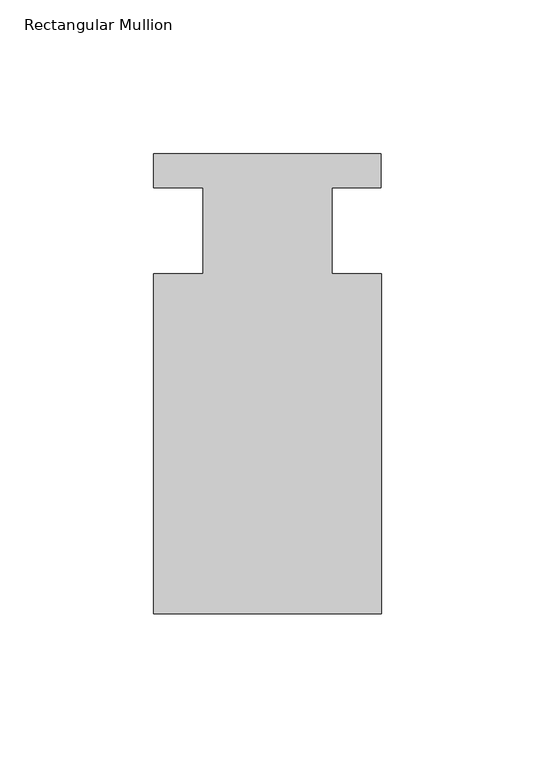
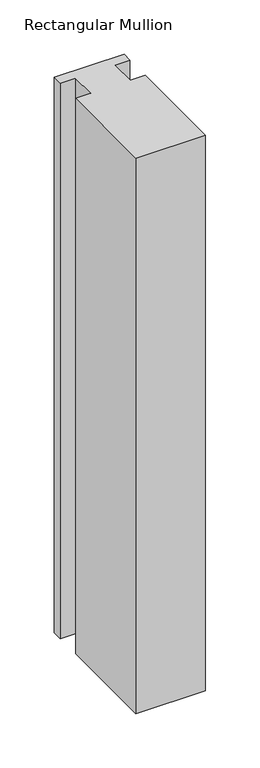
"""IFC4 building model written with IfcOpenShell, lengths in millimetres: member geometry, Rectangular Mullion."""

import ifcopenshell
import ifcopenshell.guid

model = None  # the IFC model being written
_history = None  # IfcOwnerHistory: only IFC2X3 demands one
_inside = {}  # id of a spatial element -> (the spatial element, [elements in it])
_under = {}  # id of a project, library or spatial element -> (it, [spatial elements below it])
_declared = {}  # id of a project -> (the project, [libraries it declares])
_typed = {}  # id of a type object -> (the type object, [elements of that type])
_made_of = {}  # id of a material, layer set ... -> (it, [elements and type objects made of it])


def new_model(schema):
    """Start an empty IFC model of exactly this schema.

    Asked for "IFC4X3", IfcOpenShell would pick the latest addendum, in which some entities
    have other attributes; the version numbers below select the first issue.
    IFC2X3 requires an IfcOwnerHistory on every rooted entity: one is made here for all.
    """
    global model, _history
    if schema == "IFC4X3":
        model = ifcopenshell.file(schema_version=(4, 3, 0, 0))
    else:
        model = ifcopenshell.file(schema=schema)
    _inside.clear()
    _under.clear()
    _declared.clear()
    _typed.clear()
    _made_of.clear()
    _history = None
    if model.schema == "IFC2X3":
        org = make("IfcOrganization", Name="unknown")
        user = make(
            "IfcPersonAndOrganization",
            ThePerson=make("IfcPerson", FamilyName="unknown"),
            TheOrganization=org,
        )
        app = make(
            "IfcApplication",
            ApplicationDeveloper=org,
            Version="unknown",
            ApplicationFullName="unknown",
            ApplicationIdentifier="unknown",
        )
        _history = make(
            "IfcOwnerHistory",
            OwningUser=user,
            OwningApplication=app,
            ChangeAction="ADDED",
            CreationDate=0,
        )
    return model


def make(cls, **values):
    """One entity of the class cls with the attributes given. An attribute that is None is left unset."""
    return model.create_entity(
        cls, **{name: value for name, value in values.items() if value is not None}
    )


def rooted(cls, **values):
    """An entity with a GlobalId (a new one), such as an element, a storey or a relation."""
    return make(cls, GlobalId=ifcopenshell.guid.new(), OwnerHistory=_history, **values)


def si_unit(unit_type, name, prefix=None):
    """IfcSIUnit, for example si_unit("LENGTHUNIT", "METRE", prefix="MILLI")."""
    return make("IfcSIUnit", UnitType=unit_type, Prefix=prefix, Name=name)


def assignment(units):
    """IfcUnitAssignment: the units of a project."""
    return None if units is None else make("IfcUnitAssignment", Units=units)


def point(xyz):
    """IfcCartesianPoint."""
    return None if xyz is None else make("IfcCartesianPoint", Coordinates=xyz)


def direction(xyz):
    """IfcDirection."""
    return None if xyz is None else make("IfcDirection", DirectionRatios=xyz)


def frame(location, z_axis=None, x_axis=None):
    """IfcAxis2Placement3D, a coordinate frame: its origin and axes. An axis left out is left unset."""
    return make(
        "IfcAxis2Placement3D",
        Location=point(location),
        Axis=direction(z_axis),
        RefDirection=direction(x_axis),
    )


def origin():
    """The frame at (0, 0, 0) with its axes left unset."""
    return frame((0.0, 0.0, 0.0))


def place(relative_to, where):
    """IfcLocalPlacement: puts the frame where relative to a parent placement (None: the world)."""
    return make(
        "IfcLocalPlacement", PlacementRelTo=relative_to, RelativePlacement=where
    )


def context(
    kind, dimensions, precision=None, world=None, true_north=None, identifier=None
):
    """IfcGeometricRepresentationContext, for example the 3D "Model" context."""
    return make(
        "IfcGeometricRepresentationContext",
        ContextIdentifier=identifier,
        ContextType=kind,
        CoordinateSpaceDimension=dimensions,
        Precision=precision,
        WorldCoordinateSystem=world,
        TrueNorth=true_north,
    )


def project(units=None, contexts=None):
    """IfcProject with its units and contexts."""
    return rooted(
        "IfcProject",
        Name="project",
        RepresentationContexts=contexts,
        UnitsInContext=assignment(units),
    )


def spatial(cls, under=None, at=None, **own):
    """A site, building, storey or space (cls), placed at a placement, below another one or the project."""
    s = rooted(cls, ObjectPlacement=at, **own)
    if under is not None:
        _under.setdefault(under.id(), (under, []))[1].append(s)
    return s


def polyline(points):
    """IfcPolyline through the points."""
    return make("IfcPolyline", Points=[point(p) for p in points])


def outline(outer, holes=None, kind="AREA"):
    """IfcArbitraryClosedProfileDef: a profile drawn as a closed curve; with holes, ...WithVoids."""
    if holes is None:
        return make("IfcArbitraryClosedProfileDef", ProfileType=kind, OuterCurve=outer)
    return make(
        "IfcArbitraryProfileDefWithVoids",
        ProfileType=kind,
        OuterCurve=outer,
        InnerCurves=holes,
    )


def extrude(swept, where, along, depth):
    """IfcExtrudedAreaSolid: the profile swept, set in the frame where, extruded along a direction by depth."""
    return make(
        "IfcExtrudedAreaSolid",
        SweptArea=swept,
        Position=where,
        ExtrudedDirection=direction(along),
        Depth=depth,
    )


def shape(context_of_items, identifier, shape_type, items):
    """IfcShapeRepresentation: the items that make up one representation, for example the "Body"."""
    return make(
        "IfcShapeRepresentation",
        ContextOfItems=context_of_items,
        RepresentationIdentifier=identifier,
        RepresentationType=shape_type,
        Items=items,
    )


def source(mapping_origin, context_of_items, identifier, shape_type, items):
    """IfcRepresentationMap: a shape defined once, which mapped items show again and again."""
    return make(
        "IfcRepresentationMap",
        MappingOrigin=mapping_origin,
        MappedRepresentation=shape(context_of_items, identifier, shape_type, items),
    )


def transform(
    local_origin,
    x_axis=None,
    y_axis=None,
    z_axis=None,
    scale=None,
    scale2=None,
    scale3=None,
    uniform=True,
):
    """IfcCartesianTransformationOperator3D, or its non-uniform kind. x_axis, y_axis, z_axis: its Axis1, 2, 3."""
    if uniform:
        return make(
            "IfcCartesianTransformationOperator3D",
            Axis1=direction(x_axis),
            Axis2=direction(y_axis),
            LocalOrigin=point(local_origin),
            Scale=scale,
            Axis3=direction(z_axis),
        )
    return make(
        "IfcCartesianTransformationOperator3DnonUniform",
        Axis1=direction(x_axis),
        Axis2=direction(y_axis),
        LocalOrigin=point(local_origin),
        Scale=scale,
        Axis3=direction(z_axis),
        Scale2=scale2,
        Scale3=scale3,
    )


def mapped(mapping_source, mapping_target):
    """IfcMappedItem: shows the shape of a source again, moved by a transform."""
    return make(
        "IfcMappedItem", MappingSource=mapping_source, MappingTarget=mapping_target
    )


def made_of(thing, what):
    """Note that an element or type object is made of a material, layer set ...; save() writes the relation."""
    if what is not None:
        _made_of.setdefault(what.id(), (what, []))[1].append(thing)
    return thing


def element(
    cls,
    number,
    at=None,
    inside=None,
    cuts=None,
    type_object=None,
    material=None,
    context=None,
    identifier="Body",
    shape_type=None,
    held_by="IfcProductDefinitionShape",
    body=None,
    shapes=None,
    **own,
):
    """One element of the class cls, such as IfcWall. Its Tag is "e" and its number.

    at: its placement. inside: the storey or other place that contains it. cuts: it is an
    opening in that element (IfcRelVoidsElement). A single representation is given by context,
    identifier, shape_type and body (its items); several are given by shapes. held_by: the class
    of the entity that holds the representations. save() writes the other relations.
    """
    e = rooted(cls, Tag="e%d" % number, ObjectPlacement=at, **own)
    if body is not None:
        shapes = [shape(context, identifier, shape_type, body)]
    if shapes is not None:
        e.Representation = make(held_by, Representations=shapes)
    if inside is not None:
        _inside.setdefault(inside.id(), (inside, []))[1].append(e)
    if cuts is not None:
        rooted(
            "IfcRelVoidsElement", RelatingBuildingElement=cuts, RelatedOpeningElement=e
        )
    if type_object is not None:
        _typed.setdefault(type_object.id(), (type_object, []))[1].append(e)
    return made_of(e, material)


def aggregate(whole, parts):
    """IfcRelAggregates: a whole, such as a stair, and the parts it consists of."""
    return rooted("IfcRelAggregates", RelatingObject=whole, RelatedObjects=parts)


def save(model, path):
    """Write the relations noted so far, then the file.

    IfcRelAggregates (storeys below a building ...), IfcRelContainedInSpatialStructure (elements
    in a storey), IfcRelDefinesByType, IfcRelAssociatesMaterial and IfcRelDeclares: one each for
    every whole, place, type object, material and project.
    """
    for whole, parts in _under.values():
        aggregate(whole, parts)
    for where, things in _inside.values():
        rooted(
            "IfcRelContainedInSpatialStructure",
            RelatedElements=things,
            RelatingStructure=where,
        )
    for kind, things in _typed.values():
        rooted("IfcRelDefinesByType", RelatedObjects=things, RelatingType=kind)
    for what, things in _made_of.values():
        rooted("IfcRelAssociatesMaterial", RelatedObjects=things, RelatingMaterial=what)
    for by, libraries in _declared.values():
        rooted("IfcRelDeclares", RelatingContext=by, RelatedDefinitions=libraries)
    model.write(path)


def rectangular_mullion_b2598c49(model_context):
    return source(origin(), model_context, "Body", "SweptSolid", [
        extrude(outline(polyline([(-20.9800745, -13.9998907), (-20.9800745, 14.0), (-37.0, 14.0), (-37.0, 25.0), (36.9800745, 25.0), (36.9800745, 14.0), (20.9800745, 14.0), (20.9800745, -13.9998907), (37.0, -13.9998907), (37.0, -124.5), (-37.0, -124.5), (-37.0, -13.9998907), (-20.9800745, -13.9998907)])), frame((0.0, 0.0, -623.7174835), z_axis=(0.0, 0.0, 1.0), x_axis=(1.0, 0.0, 0.0)), (0.0, 0.0, 1.0), 623.7174835),
    ])


if __name__ == "__main__":
    model = new_model("IFC4")
    model_context = context("Model", 3, world=origin())
    ifc_project = project(units=[si_unit("LENGTHUNIT", "METRE", prefix="MILLI")], contexts=[model_context])
    site = spatial("IfcSite", under=ifc_project)
    building = spatial("IfcBuilding", under=site)
    placement = place(None, origin())
    rectangular_mullion_shape = rectangular_mullion_b2598c49(model_context)
    element("IfcMember", 1, ObjectType="Rectangular Mullion", at=placement, inside=building, context=model_context, shape_type="MappedRepresentation", body=[
        mapped(rectangular_mullion_shape, transform((0.0, 0.0, 0.0), x_axis=(1.0, 0.0, 0.0), y_axis=(0.0, 1.0, 0.0), z_axis=(0.0, 0.0, 1.0))),
    ])
    save(model, "model.ifc")
